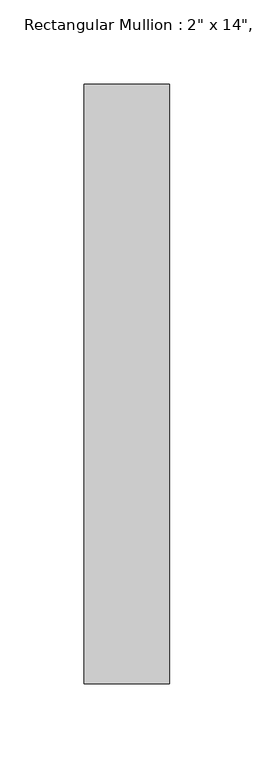
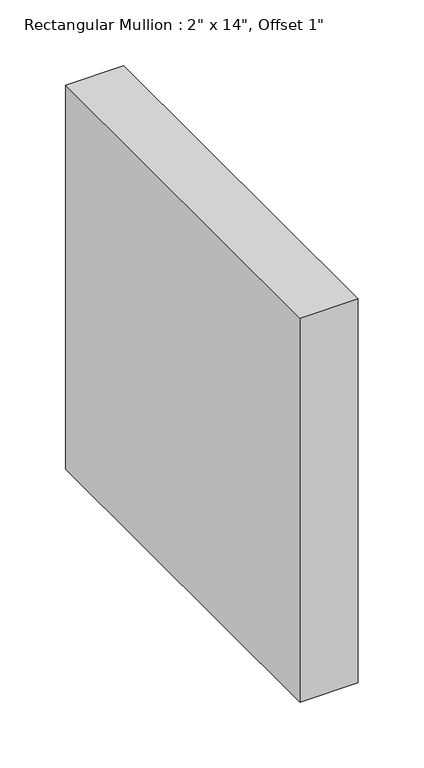
"""IFC4 building model written with IfcOpenShell, lengths in millimetres: member geometry."""

from ifc_helpers import new_model, si_unit, frame, origin, place, context, project, spatial, polyline, outline, extrude, source, transform, mapped, element, save


def member_24d1df6a(model_context):
    return source(origin(), model_context, "Body", "SweptSolid", [
        extrude(outline(polyline([(0.0, 152.4), (0.0, -203.2), (-50.8, -203.2), (-50.8, 152.4), (0.0, 152.4)])), frame((0.0, 0.0, -355.6), z_axis=(0.0, 0.0, 1.0), x_axis=(1.0, 0.0, 0.0)), (0.0, 0.0, 1.0), 355.6),
    ])


if __name__ == "__main__":
    model = new_model("IFC4")
    model_context = context("Model", 3, world=origin())
    ifc_project = project(units=[si_unit("LENGTHUNIT", "METRE", prefix="MILLI")], contexts=[model_context])
    site = spatial("IfcSite", under=ifc_project)
    building = spatial("IfcBuilding", under=site)
    placement = place(None, origin())
    member_shape = member_24d1df6a(model_context)
    element("IfcMember", 1, ObjectType="Rectangular Mullion : 2\" x 14\", Offset 1\"", at=placement, inside=building, context=model_context, shape_type="MappedRepresentation", body=[
        mapped(member_shape, transform((0.0, 0.0, 0.0), x_axis=(1.0, 0.0, 0.0), y_axis=(0.0, 1.0, 0.0), z_axis=(0.0, 0.0, 1.0))),
    ])
    save(model, "model.ifc")
